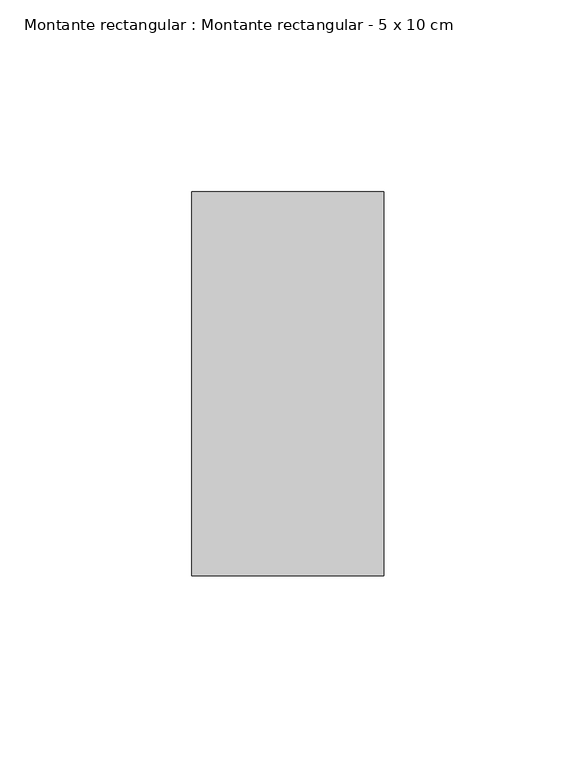
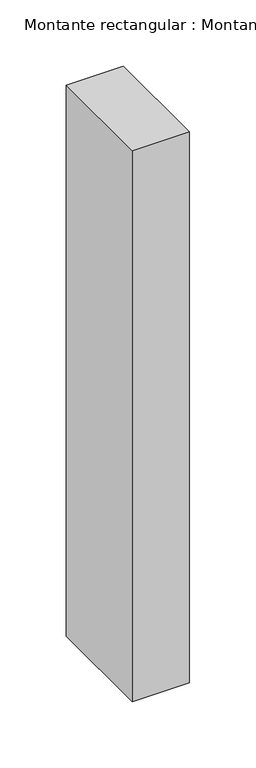
"""IFC4 building model written with IfcOpenShell, lengths in millimetres: member geometry, Montante rectangular : Montante rectangular - 5 x 10 cm."""

from ifc_helpers import new_model, si_unit, frame, origin, place, context, project, spatial, polyline, outline, extrude, source, transform, mapped, element, save


def montante_rectangular_montante_rectangular_5_x_10_cm_e77b8785(model_context):
    return source(origin(), model_context, "Body", "SweptSolid", [
        extrude(outline(polyline([(0.0, 50.0), (0.0, -50.0), (-50.0, -50.0), (-50.0, 50.0), (0.0, 50.0)])), frame((0.0, 0.0, -509.0), z_axis=(0.0, 0.0, 1.0), x_axis=(1.0, 0.0, 0.0)), (0.0, 0.0, 1.0), 509.0),
    ])


if __name__ == "__main__":
    model = new_model("IFC4")
    model_context = context("Model", 3, world=origin())
    ifc_project = project(units=[si_unit("LENGTHUNIT", "METRE", prefix="MILLI")], contexts=[model_context])
    site = spatial("IfcSite", under=ifc_project)
    building = spatial("IfcBuilding", under=site)
    placement = place(None, origin())
    montante_rectangular_montante_rectangular_5_x_10_cm_shape = montante_rectangular_montante_rectangular_5_x_10_cm_e77b8785(model_context)
    element("IfcMember", 1, ObjectType="Montante rectangular : Montante rectangular - 5 x 10 cm", at=placement, inside=building, context=model_context, shape_type="MappedRepresentation", body=[
        mapped(montante_rectangular_montante_rectangular_5_x_10_cm_shape, transform((0.0, 0.0, 0.0), x_axis=(1.0, 0.0, 0.0), y_axis=(0.0, 1.0, 0.0), z_axis=(0.0, 0.0, 1.0))),
    ])
    save(model, "model.ifc")
